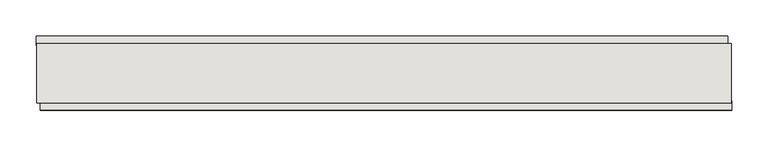
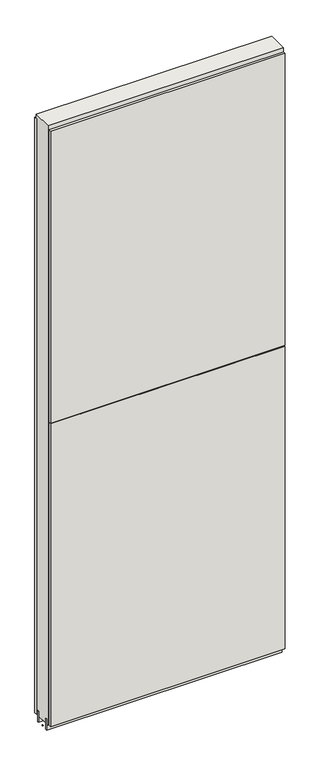
"""IFC4 building model written with IfcOpenShell, lengths in millimetres: wall geometry."""

from ifc_helpers import new_model, si_unit, frame, origin, place, context, project, spatial, polyline, outline, extrude, source, transform, mapped, element, save


def wall_27199784(model_context):
    return source(origin(), model_context, "Body", "SweptSolid", [
        extrude(outline(polyline([(82700.7988602, -50815.3745692), (82698.2588602, -50815.3745692), (82698.2588602, -50812.8345692), (82700.7988602, -50812.8345692), (82700.7988602, -50815.3745692)])), frame((0.0, 0.0, 4419.6), z_axis=(0.0, 0.0, 1.0), x_axis=(1.0, 0.0, 0.0)), (0.0, 0.0, 1.0), 2.54),
        extrude(outline(polyline([(82697.7884522, -50763.3045692), (83647.1340262, -50763.3045692), (83647.1340262, -50776.0045692), (82697.7884522, -50776.0045692), (82697.7884522, -50763.3045692)])), frame((0.0, 0.0, 4445.0), z_axis=(0.0, 0.0, 1.0), x_axis=(1.0, 0.0, 0.0)), (0.0, 0.0, 1.0), 2545.0498756),
        extrude(outline(polyline([(83652.0701606, -50864.9045692), (82702.7245866, -50864.9045692), (82702.7245866, -50852.2045692), (83652.0701606, -50852.2045692), (83652.0701606, -50864.9045692)])), frame((0.0, 0.0, 5742.399869), z_axis=(0.0, 0.0, 1.0), x_axis=(1.0, 0.0, 0.0)), (0.0, 0.0, 1.0), 1247.649905),
        extrude(outline(polyline([(83652.0701606, -50864.9045692), (82702.7245866, -50864.9045692), (82702.7245866, -50852.2045692), (83652.0701606, -50852.2045692), (83652.0701606, -50864.9045692)])), frame((0.0, 0.0, 4445.0), z_axis=(0.0, 0.0, 1.0), x_axis=(1.0, 0.0, 0.0)), (0.0, 0.0, 1.0), 1293.400004),
        extrude(outline(polyline([(83651.6009718, -50789.0270222), (82698.2576156, -50789.0270222), (82698.2576156, -50783.9482668), (83651.6009718, -50783.9482668), (83651.6009718, -50789.0270222)])), frame((0.0, 0.0, 4418.6602), z_axis=(0.0, 0.0, 1.0), x_axis=(1.0, 0.0, 0.0)), (0.0, 0.0, 1.0), 47.625),
        extrude(outline(polyline([(83651.6009718, -50789.0270222), (82698.2576156, -50789.0270222), (82698.2576156, -50783.9482668), (83651.6009718, -50783.9482668), (83651.6009718, -50789.0270222)])), frame((0.0, 0.0, 4418.6602), z_axis=(0.0, 0.0, 1.0), x_axis=(1.0, 0.0, 0.0)), (0.0, 0.0, 1.0), 47.625),
        extrude(outline(polyline([(82698.2576156, -50839.1914126), (83651.6009718, -50839.1914126), (83651.6009718, -50844.2732668), (82698.2576156, -50844.2732668), (82698.2576156, -50839.1914126)])), frame((0.0, 0.0, 4418.6602), z_axis=(0.0, 0.0, 1.0), x_axis=(1.0, 0.0, 0.0)), (0.0, 0.0, 1.0), 47.625),
        extrude(outline(polyline([(82698.2576156, -50839.1914126), (83651.6009718, -50839.1914126), (83651.6009718, -50844.2732668), (82698.2576156, -50844.2732668), (82698.2576156, -50839.1914126)])), frame((0.0, 0.0, 4418.6602), z_axis=(0.0, 0.0, 1.0), x_axis=(1.0, 0.0, 0.0)), (0.0, 0.0, 1.0), 47.625),
        extrude(outline(polyline([(83651.6009718, -50773.4558824), (83651.6009718, -50854.7377366), (82698.2576156, -50854.7377366), (82698.2576156, -50773.4558824), (83651.6009718, -50773.4558824)])), frame((0.0, 0.0, 4445.0), z_axis=(0.0, 0.0, 1.0), x_axis=(1.0, 0.0, 0.0)), (0.0, 0.0, 1.0), 2562.4536762),
    ])


if __name__ == "__main__":
    model = new_model("IFC4")
    model_context = context("Model", 3, world=origin())
    ifc_project = project(units=[si_unit("LENGTHUNIT", "METRE", prefix="MILLI")], contexts=[model_context])
    site = spatial("IfcSite", under=ifc_project)
    building = spatial("IfcBuilding", under=site)
    placement = place(None, origin())
    wall_shape = wall_27199784(model_context)
    element("IfcWall", 1, at=placement, inside=building, context=model_context, shape_type="MappedRepresentation", body=[
        mapped(wall_shape, transform((0.0, 0.0, 0.0), x_axis=(1.0, 0.0, 0.0), y_axis=(0.0, 1.0, 0.0), z_axis=(0.0, 0.0, 1.0))),
    ])
    save(model, "model.ifc")
